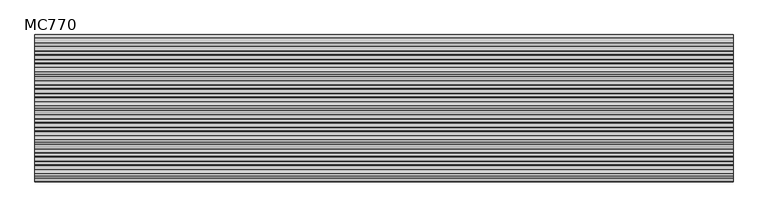
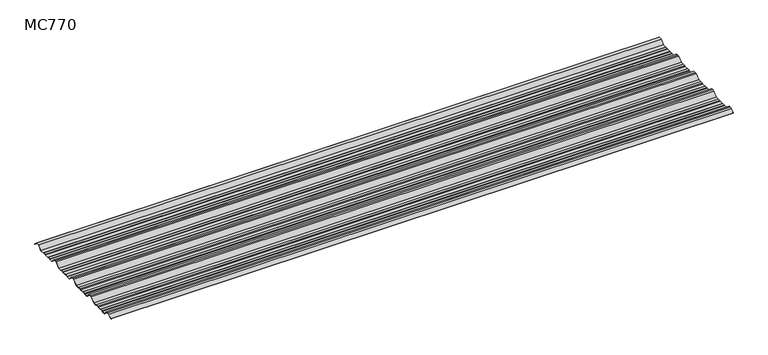
"""IFC4 building model written with IfcOpenShell, lengths in millimetres: beam geometry, MC770."""

from ifc_helpers import new_model, si_unit, point, frame, frame_2d, origin, place, context, project, spatial, polyline, circle_curve, trimmed, segment, composite_curve, outline, extrude, source, transform, mapped, element, save


def mc770_69331a17(model_context):
    return source(origin(), model_context, "Body", "SweptSolid", [
        extrude(outline(composite_curve([segment(polyline([(-155.0000967, -25.7896475), (-180.574511, 0.2103525), (-192.5, 0.2103525), (-204.425489, 0.2103525), (-229.9999033, -25.7896475), (-252.6975582, -25.7896475), (-255.9126024, -23.7494212), (-272.3405937, -23.7494212), (-276.7209114, -25.7896475), (-300.7790886, -25.7896475), (-305.1594063, -23.7494212), (-321.5873976, -23.7494212), (-324.8024418, -25.7896475), (-347.5000967, -25.7896475), (-373.074511, 0.2103525), (-385.0, 0.2103525), (-396.925489, 0.2103525), (-422.4999033, -25.7896475), (-445.1975582, -25.7896475), (-448.4126024, -23.7494212), (-464.8405937, -23.7494212), (-469.2209114, -25.7896475), (-493.2790886, -25.7896475), (-497.6594063, -23.7494212), (-514.0873976, -23.7494212), (-517.3024418, -25.7896475), (-540.0000967, -25.7896475), (-565.574511, 0.2103525), (-577.5, 0.2103525), (-589.425489, 0.2103525), (-614.9999033, -25.7896475), (-637.6975582, -25.7896475), (-640.9126024, -23.7494212), (-657.3405937, -23.7494212), (-661.7209114, -25.7896475), (-685.7790886, -25.7896475), (-690.1594063, -23.7494212), (-706.5873976, -23.7494212), (-709.8024418, -25.7896475), (-732.5000967, -25.7896475), (-758.074511, 0.2103525), (-770.0, 0.2103525), (-781.925489, 0.2103525), (-801.261749, -19.4476836)]), True, "CONTINUOUS"), segment(trimmed(circle_curve(frame_2d((-801.651258, -19.0516927)), 0.5554513), [point((-801.261749, -19.4476836))], [point((-802.0472489, -18.6621836))], False, "CARTESIAN"), True, "CONTINUOUS"), segment(polyline([(-802.0472489, -18.6621836), (-782.5, 1.2103525), (-770.0, 1.2103525), (-757.5, 1.2103525), (-731.9255858, -24.7896475), (-710.0929563, -24.7896475), (-706.8779121, -22.7494212), (-689.9379428, -22.7494212), (-685.5576251, -24.7896475), (-661.9423749, -24.7896475), (-657.5620572, -22.7494212), (-640.6220879, -22.7494212), (-637.4070437, -24.7896475), (-615.5744142, -24.7896475), (-590.0, 1.2103525), (-577.5, 1.2103525), (-565.0, 1.2103525), (-539.4255858, -24.7896475), (-517.5929563, -24.7896475), (-514.3779121, -22.7494212), (-497.4379428, -22.7494212), (-493.0576251, -24.7896475), (-469.4423749, -24.7896475), (-465.0620572, -22.7494212), (-448.1220879, -22.7494212), (-444.9070437, -24.7896475), (-423.0744142, -24.7896475), (-397.5, 1.2103525), (-385.0, 1.2103525), (-372.5, 1.2103525), (-346.9255858, -24.7896475), (-325.0929563, -24.7896475), (-321.8779121, -22.7494212), (-304.9379428, -22.7494212), (-300.5576251, -24.7896475), (-276.9423749, -24.7896475), (-272.5620572, -22.7494212), (-255.6220879, -22.7494212), (-252.4070437, -24.7896475), (-230.5744142, -24.7896475), (-205.0, 1.2103525), (-192.5, 1.2103525), (-180.0, 1.2103525), (-154.4255858, -24.7896475), (-132.5929563, -24.7896475), (-129.3779121, -22.7494212), (-112.4379428, -22.7494212), (-108.0576251, -24.7896475), (-84.4423749, -24.7896475), (-80.0620572, -22.7494212), (-63.1220879, -22.7494212), (-59.9070437, -24.7896475), (-35.113585, -24.7896475), (-11.5064334, -0.7896475), (11.5064334, -0.7896475), (31.651812, -21.2702668)]), True, "CONTINUOUS"), segment(trimmed(circle_curve(frame_2d((31.295329, -21.6209146)), 0.500034), [point((31.651812, -21.2702668))], [point((30.9446811, -21.9773977))], False, "CARTESIAN"), True, "CONTINUOUS"), segment(polyline([(30.9446811, -21.9773977), (11.0873778, -1.7896475), (-11.0873778, -1.7896475), (-34.6945294, -25.7896475), (-60.1975582, -25.7896475), (-63.4126024, -23.7494212), (-79.8405937, -23.7494212), (-84.2209114, -25.7896475), (-108.2790886, -25.7896475), (-112.6594063, -23.7494212), (-129.0873976, -23.7494212), (-132.3024418, -25.7896475), (-155.0000967, -25.7896475)]), True, "CONTINUOUS")], self_intersect=False)), frame((-1974.698875, 0.0, 0.0), z_axis=(1.0, 0.0, 0.0), x_axis=(0.0, 1.0, 0.0)), (0.0, 0.0, 1.0), 3949.39775),
    ])


if __name__ == "__main__":
    model = new_model("IFC4")
    model_context = context("Model", 3, world=origin())
    ifc_project = project(units=[si_unit("LENGTHUNIT", "METRE", prefix="MILLI")], contexts=[model_context])
    site = spatial("IfcSite", under=ifc_project)
    building = spatial("IfcBuilding", under=site)
    placement = place(None, origin())
    mc770_shape = mc770_69331a17(model_context)
    element("IfcBeam", 1, ObjectType="MC770", at=placement, inside=building, context=model_context, shape_type="MappedRepresentation", body=[
        mapped(mc770_shape, transform((0.0, 0.0, 0.0), x_axis=(1.0, 0.0, 0.0), y_axis=(0.0, 1.0, 0.0), z_axis=(0.0, 0.0, 1.0))),
    ])
    save(model, "model.ifc")
